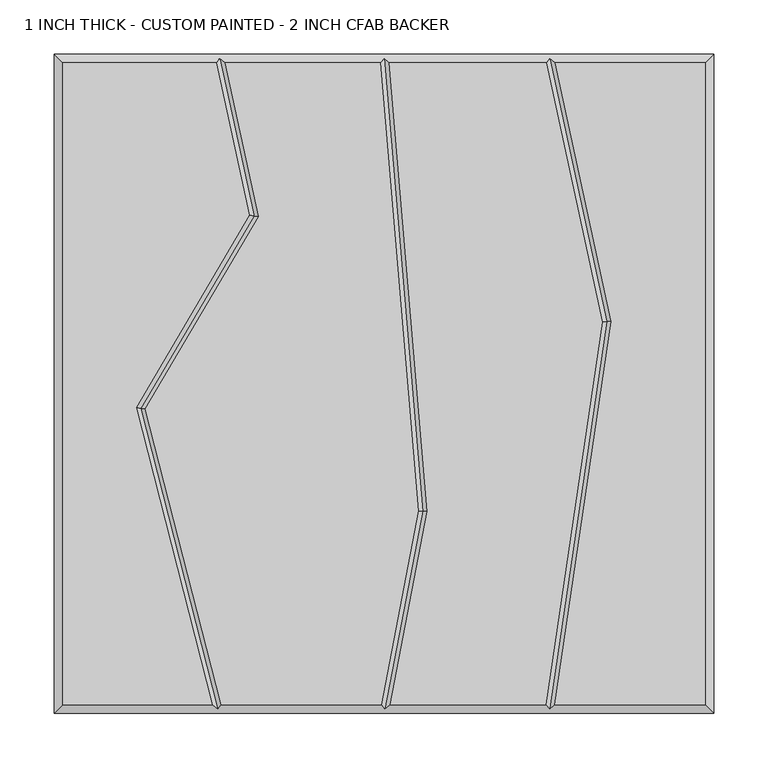
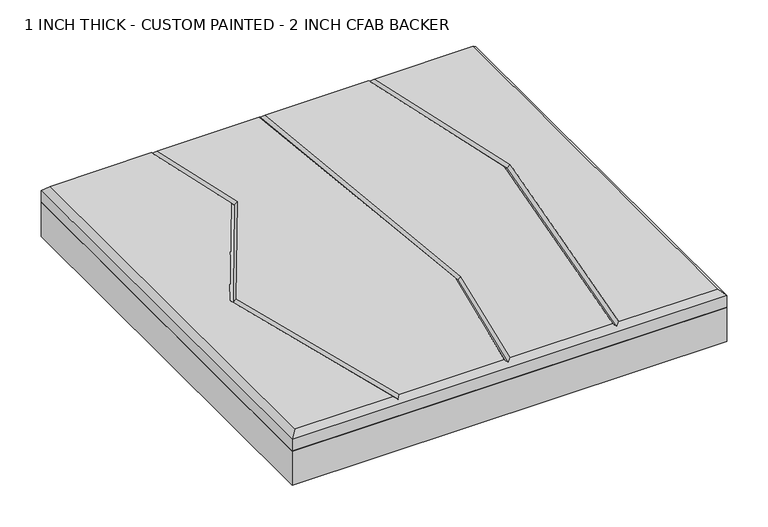
"""IFC4 building model written with IfcOpenShell, lengths in millimetres: proxy geometry, 1 INCH THICK - CUSTOM PAINTED - 2 INCH CFAB BACKER."""

from ifc_helpers import new_model, si_unit, frame, origin, place, context, project, spatial, polyline, outline, extrude, faceted_brep, source, transform, mapped, element, save


def proxy_1_inch_thick_custom_painted_2_inch_cfab_backer_88e8b497(model_context):
    return source(origin(), model_context, "Body", "SolidModel", [
        extrude(outline(polyline([(-304.8, 304.8), (304.8, 304.8), (304.8, -304.8), (-304.8, -304.8), (-304.8, 304.8)])), frame((0.0, 0.0, -50.8), z_axis=(0.0, 0.0, 1.0), x_axis=(1.0, 0.0, 0.0)), (0.0, 0.0, 1.0), 50.8),
        faceted_brep([(-296.799, 296.799, 25.4), (-296.799, -296.799, 25.4), (-158.5803507, -296.799, 25.4), (-228.9486116, -22.1618467, 25.4), (-124.326786, 155.8449273, 25.4), (-154.765405, 296.799, 25.4), (296.799, -296.799, 25.4), (296.799, 296.799, 25.4), (158.2217247, 296.799, 25.4), (209.9251981, 57.4644259, 25.4), (157.6255242, -296.799, 25.4), (-220.3791386, -23.3717887, 25.4), (-150.3208923, -296.799, 25.4), (-2.5427901, -296.799, 25.4), (31.7252909, -117.6291285, 25.4), (-3.3378716, 296.799, 25.4), (-146.5799748, 296.799, 25.4), (-115.8470875, 154.4822402, 25.4), (39.7905877, -118.051219, 25.4), (5.6032358, -296.799, 25.4), (149.5378056, -296.799, 25.4), (201.7977561, 57.1953504, 25.4), (150.0361542, 296.799, 25.4), (4.6917137, 296.799, 25.4), (-304.8, 304.8, 0.0), (304.8, 304.8, 0.0), (304.8, -304.8, 0.0), (-304.8, -304.8, 0.0), (-304.8, -304.8, 17.399), (-304.8, 304.8, 17.399), (304.8, -304.8, 17.399), (304.8, 304.8, 17.399), (-151.5365862, 300.7995, 21.3995), (0.3384542, 300.7995, 21.3995), (153.264711, 300.7995, 21.3995), (152.9910738, -300.7995, 21.3995), (0.7650861, -300.7995, 21.3995), (-153.4256028, -300.7995, 21.3995), (-224.6638751, -22.7668177, 21.3995), (-120.0869367, 155.1635838, 21.3995), (35.7579393, -117.8401737, 21.3995), (205.8614771, 57.3298882, 21.3995)], [[[0, 1, 2, 3, 4, 5]], [[6, 7, 8, 9, 10]], [[11, 12, 13, 14, 15, 16, 17]], [[18, 19, 20, 21, 22, 23]], [[24, 25, 26, 27]], [[24, 27, 28, 29]], [[27, 26, 30, 28]], [[26, 25, 31, 30]], [[25, 24, 29, 31]], [[29, 0, 5, 32, 16, 15, 33, 23, 22, 34, 8, 7, 31]], [[0, 29, 28, 1]], [[1, 28, 30, 6, 10, 35, 20, 19, 36, 13, 12, 37, 2]], [[31, 7, 6, 30]], [[38, 3, 2, 37]], [[11, 38, 37, 12]], [[3, 38, 39, 4]], [[38, 11, 17, 39]], [[4, 39, 32, 5]], [[39, 17, 16, 32]], [[40, 14, 13, 36]], [[18, 40, 36, 19]], [[14, 40, 33, 15]], [[40, 18, 23, 33]], [[41, 21, 20, 35]], [[9, 41, 35, 10]], [[21, 41, 34, 22]], [[41, 9, 8, 34]]]),
    ])


if __name__ == "__main__":
    model = new_model("IFC4")
    model_context = context("Model", 3, world=origin())
    ifc_project = project(units=[si_unit("LENGTHUNIT", "METRE", prefix="MILLI")], contexts=[model_context])
    site = spatial("IfcSite", under=ifc_project)
    building = spatial("IfcBuilding", under=site)
    placement = place(None, origin())
    proxy_1_inch_thick_custom_painted_2_inch_cfab_backer_shape = proxy_1_inch_thick_custom_painted_2_inch_cfab_backer_88e8b497(model_context)
    element("IfcBuildingElementProxy", 1, Name="1 INCH THICK - CUSTOM PAINTED - 2 INCH CFAB BACKER", ObjectType="1 INCH THICK - CUSTOM PAINTED - 2 INCH CFAB BACKER", at=placement, inside=building, context=model_context, shape_type="MappedRepresentation", body=[
        mapped(proxy_1_inch_thick_custom_painted_2_inch_cfab_backer_shape, transform((0.0, 0.0, 0.0), x_axis=(1.0, 0.0, 0.0), y_axis=(0.0, 1.0, 0.0), z_axis=(0.0, 0.0, 1.0))),
    ])
    save(model, "model.ifc")
